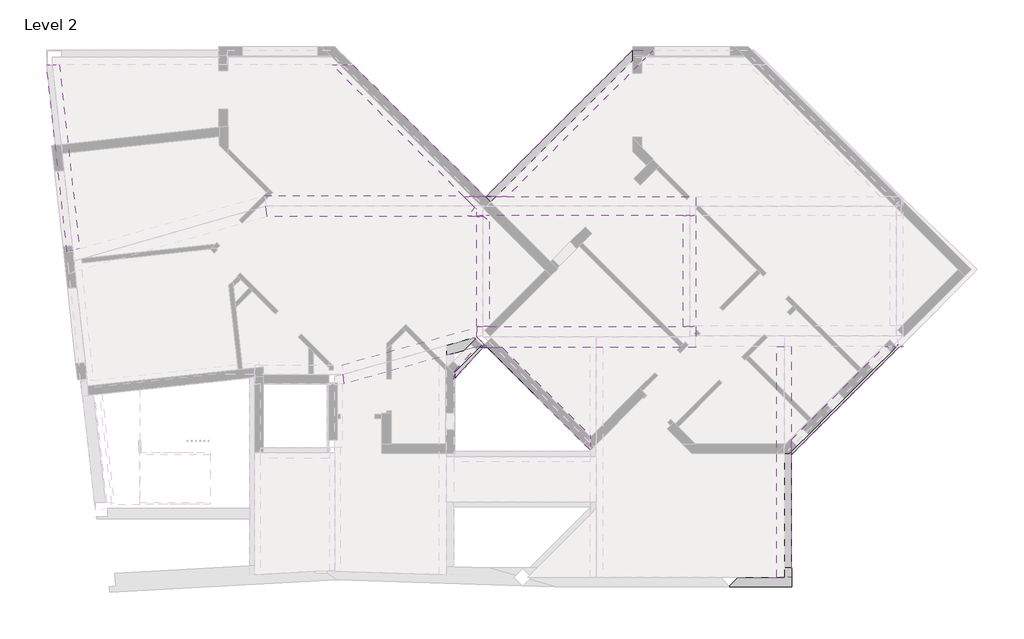
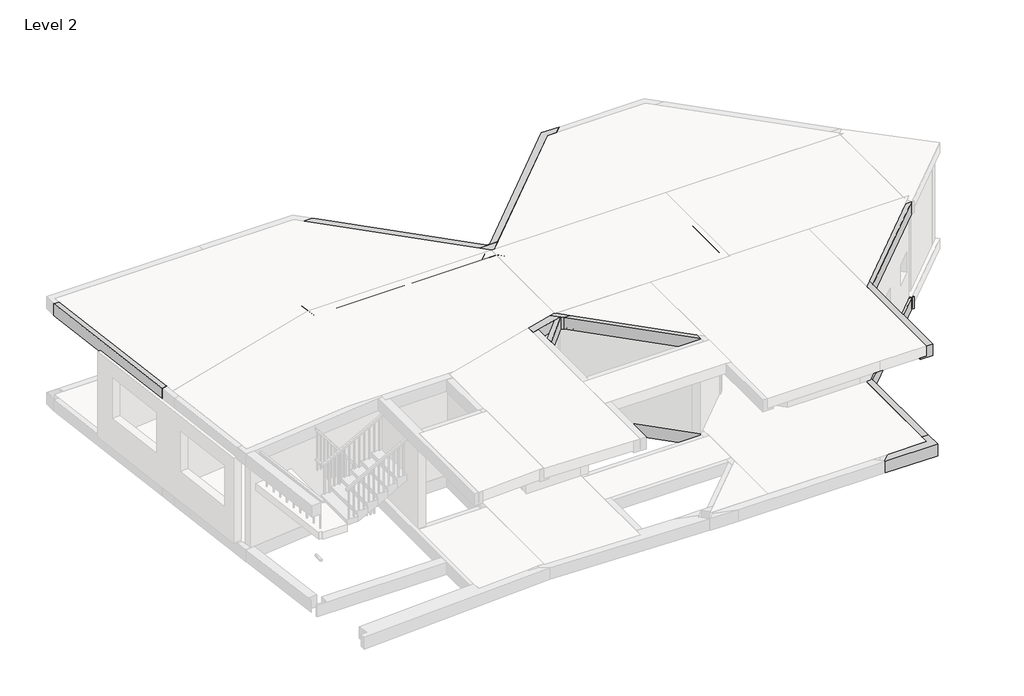
# One storey, part 4 of 5: 27 beams.
"""IFC4 building model written with IfcOpenShell, lengths in millimetres."""

from ifc_helpers import new_model, si_unit, frame, origin, place, context, project, spatial, polyline, outline, extrude, faceted_brep, element, save

model = new_model("IFC4")

# Units and contexts
model_context = context("Model", 3, world=origin())
ifc_project = project(units=[si_unit("LENGTHUNIT", "METRE", prefix="MILLI")], contexts=[model_context])

# Site, building, storey
site = spatial("IfcSite", under=ifc_project)
building = spatial("IfcBuilding", under=site)
storey = spatial("IfcBuildingStorey", under=building, Name="Level 2", Elevation=4250.0)

# Beams
placement = place(None, origin())
element("IfcBeam", 1, ObjectType="Concrete-Rectangular Beam : 120 x 350mm 2", at=placement, inside=storey, context=model_context, shape_type="SweptSolid", body=[
    extrude(outline(polyline([(10021.1882552, -6888.0), (10184.3616955, -6888.0), (9491.0, -7640.5), (9491.0, -7463.4091473), (10021.1882552, -6888.0)])), frame((0.0, 0.0, 3900.0), z_axis=(0.0, 0.0, 1.0), x_axis=(1.0, 0.0, 0.0)), (0.0, 0.0, 1.0), 350.0),
])
element("IfcBeam", 2, ObjectType="Concrete-Rectangular Beam : 120 x 350mm 2", at=placement, inside=storey, context=model_context, shape_type="SweptSolid", body=[
    extrude(outline(polyline([(9491.0, -7640.5), (9491.0, -7463.4091473), (10039.2382939, -6868.4104348), (10220.9841127, -6817.5375033), (10235.7141711, -6832.2675617), (9491.0, -7640.5)])), frame((0.0, 0.0, 6750.0), z_axis=(0.0, 0.0, 1.0), x_axis=(1.0, 0.0, 0.0)), (0.0, 0.0, 1.0), 350.0),
])
element("IfcBeam", 3, ObjectType="Concrete-Rectangular Beam : 250 x 350mm 2", at=placement, inside=storey, context=model_context, shape_type="Brep", body=[
    faceted_brep([(12731.0, -9327.5533906, 4250.0), (12731.0, -9150.7766953, 4250.0), (10468.2233047, -6888.0, 4250.0), (10332.6158019, -6888.0, 4250.0), (10291.4466094, -6888.0, 4250.0), (10645.0, -6888.0, 3900.0), (10645.0, -6888.0, 3950.0), (12731.0, -8974.0, 3950.0), (12731.0, -8974.0, 3900.0), (12731.0, -9327.5533906, 3900.0), (10291.4466094, -6888.0, 3900.0), (10332.6158019, -6888.0, 3900.0), (10468.2233047, -6888.0, 3950.0), (12731.0, -9150.7766953, 3950.0)], [[[0, 1, 2, 3, 4]], [[5, 6, 7, 8]], [[8, 9, 10, 11, 5]], [[4, 10, 9, 0]], [[10, 4, 3, 2, 12, 6, 5, 11]], [[9, 8, 7, 13, 1, 0]], [[12, 13, 7, 6]], [[13, 12, 2, 1]]]),
])
element("IfcBeam", 4, ObjectType="Concrete-Rectangular Beam : 250 x 350mm 2", at=placement, inside=storey, context=model_context, shape_type="Brep", body=[
    faceted_brep([(17517.5, -9435.5, 4250.0), (20091.0, -6862.0, 4250.0), (19914.2233047, -6862.0, 4250.0), (17517.5, -9258.7233047, 4250.0), (20091.0, -6862.0, 3900.0), (17517.5, -9435.5, 3900.0), (19737.4466094, -6862.0, 3900.0), (17517.5, -9081.9466094, 3900.0), (17517.5, -9081.9466094, 3950.0), (19737.4466094, -6862.0, 3950.0), (19914.2233047, -6862.0, 3950.0), (17517.5, -9258.7233047, 3950.0)], [[[0, 1, 2, 3]], [[4, 1, 0, 5]], [[6, 4, 5, 7]], [[6, 7, 8, 9]], [[1, 4, 6, 9, 10, 2]], [[5, 0, 3, 11, 8, 7]], [[11, 10, 9, 8]], [[10, 11, 3, 2]]]),
])
element("IfcBeam", 5, ObjectType="Concrete-Rectangular Beam : 250 x 350mm 2", at=placement, inside=storey, context=model_context, shape_type="Brep", body=[
    faceted_brep([(10645.0, -6888.0, 6750.0), (10291.4466094, -6888.0, 6750.0), (10291.4466094, -6888.0, 7100.0), (10468.2233047, -6888.0, 7100.0), (10468.2233047, -6888.0, 6800.0), (10645.0, -6888.0, 6800.0), (12731.0, -8974.0, 6800.0), (12731.0, -9150.7766953, 6800.0), (12731.0, -9150.7766953, 7100.0), (12731.0, -9327.5533906, 7100.0), (12731.0, -9327.5533906, 6750.0), (12731.0, -8974.0, 6750.0)], [[[0, 1, 2, 3, 4, 5]], [[6, 7, 8, 9, 10, 11]], [[4, 7, 6, 5]], [[7, 4, 3, 8]], [[2, 1, 10, 9]], [[3, 2, 9, 8]], [[0, 5, 6, 11]], [[1, 0, 11, 10]]]),
])
element("IfcBeam", 6, ObjectType="Concrete-Rectangular Beam : 250 x 350mm 2", at=placement, inside=storey, context=model_context, shape_type="Brep", body=[
    faceted_brep([(17517.5, -9435.5, 7100.0), (20091.0, -6862.0, 7100.0), (19914.2233047, -6862.0, 7100.0), (17517.5, -9258.7233047, 7100.0), (17517.5, -9435.5, 6750.0), (20091.0, -6862.0, 6750.0), (19737.4466094, -6862.0, 6750.0), (17517.5, -9081.9466094, 6750.0), (17517.5, -9081.9466094, 6800.0), (19737.4466094, -6862.0, 6800.0), (19914.2233047, -6862.0, 6800.0), (17517.5, -9258.7233047, 6800.0)], [[[0, 1, 2, 3]], [[0, 4, 5, 1]], [[6, 5, 4, 7]], [[6, 7, 8, 9]], [[5, 6, 9, 10, 2, 1]], [[4, 0, 3, 11, 8, 7]], [[11, 10, 9, 8]], [[10, 11, 3, 2]]]),
])
element("IfcBeam", 7, ObjectType="Concrete-Rectangular Beam : 300 x 350mm 2", at=placement, inside=storey, context=model_context, shape_type="SweptSolid", body=[
    extrude(outline(polyline([(10303.5162325, -3743.9837675), (10332.6158019, -3743.9837675), (10332.6158019, -6388.0), (10086.0881696, -6388.0), (10032.6158019, -6402.9675856), (10032.6158019, -4014.8841981), (10303.5162325, -3743.9837675)])), frame((0.0, 0.0, 3900.0), z_axis=(0.0, 0.0, 1.0), x_axis=(1.0, 0.0, 0.0)), (0.0, 0.0, 1.0), 50.0),
])
element("IfcBeam", 8, ObjectType="Concrete-Rectangular Beam : 300 x 350mm 2", at=placement, inside=storey, context=model_context, shape_type="Brep", body=[
    faceted_brep([(14947.6858143, -3743.9837675, 3900.0), (14947.6858143, -6388.0, 3900.0), (14947.6858143, -6388.0, 3950.0), (14947.6858143, -3743.9837675, 3950.0), (15247.6858143, -3743.9837675, 3900.0), (15247.6858143, -6362.0, 3900.0), (15247.6858143, -6388.0, 3900.0), (15247.6858143, -3743.9837675, 3950.0), (15247.6858143, -6362.0, 3950.0), (15247.6858143, -6388.0, 3950.0)], [[[0, 1, 2, 3]], [[0, 4, 5, 6, 1]], [[6, 5, 4, 7, 8, 9]], [[4, 0, 3, 7]], [[1, 6, 9, 2]], [[3, 2, 9, 8, 7]]]),
])
element("IfcBeam", 9, ObjectType="Concrete-Rectangular Beam : 300 x 350mm 2", at=placement, inside=storey, context=model_context, shape_type="Brep", body=[
    faceted_brep([(10332.6158019, -6388.0, 6750.0), (10332.6158019, -3893.6158019, 6750.0), (10332.6158019, -3893.6158019, 6800.0), (10332.6158019, -6388.0, 6800.0), (10207.8679656, -3768.8679656, 6750.0), (10032.6158019, -3768.8679656, 6750.0), (10032.6158019, -3768.8679656, 6800.0), (10182.6158019, -3768.8679656, 6800.0), (10207.8679656, -3768.8679656, 6800.0), (10032.6158019, -6388.0, 6750.0), (10086.0881696, -6388.0, 6750.0), (10032.6158019, -6388.0, 6800.0)], [[[0, 1, 2, 3]], [[4, 5, 6, 7, 8]], [[1, 4, 8, 2]], [[9, 10, 0, 3, 11]], [[3, 2, 8, 7, 6, 11]], [[9, 11, 6, 5]], [[10, 9, 5, 4, 1, 0]]]),
])
element("IfcBeam", 10, ObjectType="Concrete-Rectangular Beam : 300 x 350mm 2", at=placement, inside=storey, context=model_context, shape_type="Brep", body=[
    faceted_brep([(14947.6858143, -3743.9837675, 7100.0), (14947.6858143, -6388.0, 7100.0), (15097.6858143, -6388.0, 7100.0), (15097.6858143, -3743.9837675, 7100.0), (14947.6858143, -3743.9837675, 6750.0), (14947.6858143, -6388.0, 6750.0), (15247.6858143, -3743.9837675, 6750.0), (15247.6858143, -6362.0, 6750.0), (15247.6858143, -6388.0, 6750.0), (15247.6858143, -3743.9837675, 6800.0), (15247.6858143, -6362.0, 6800.0), (15247.6858143, -6388.0, 6800.0), (15097.6858143, -3743.9837675, 6800.0), (15097.6858143, -6388.0, 6800.0)], [[[0, 1, 2, 3]], [[0, 4, 5, 1]], [[4, 6, 7, 8, 5]], [[8, 7, 6, 9, 10, 11]], [[4, 0, 3, 12, 9, 6]], [[1, 5, 8, 11, 13, 2]], [[12, 13, 11, 10, 9]], [[13, 12, 3, 2]]]),
])
element("IfcBeam", 11, ObjectType="Concrete-Rectangular Beam : 300 x 350mm 2", at=placement, inside=storey, context=model_context, shape_type="Brep", body=[
    faceted_brep([(-190.5522388, -159.0, 7100.0), (299.0182391, -4615.6877743, 7100.0), (445.3083128, -4573.7012474, 7100.0), (-39.6499138, -159.0, 7100.0), (591.5983865, -4531.7147204, 6750.0), (111.2524112, -159.0, 6750.0), (111.2524112, -159.0, 6800.0), (591.5983865, -4531.7147204, 6800.0), (-190.5522388, -159.0, 6750.0), (299.0182391, -4615.6877743, 6750.0), (-39.6499138, -159.0, 6800.0), (445.3083128, -4573.7012474, 6800.0)], [[[0, 1, 2, 3]], [[4, 5, 6, 7]], [[8, 5, 4, 9]], [[0, 8, 9, 1]], [[5, 8, 0, 3, 10, 6]], [[9, 4, 7, 11, 2, 1]], [[10, 11, 7, 6]], [[11, 10, 3, 2]]]),
])
element("IfcBeam", 12, ObjectType="Concrete-Rectangular Beam : 350 x 350mm 2", at=placement, inside=storey, context=model_context, shape_type="Brep", body=[
    faceted_brep([(10202.8427125, -3268.8679656, 4250.0), (7092.9747468, -159.0, 4250.0), (6845.4873734, -159.0, 4250.0), (9955.3553391, -3268.8679656, 4250.0), (6598.0, -159.0, 3900.0), (9707.8679656, -3268.8679656, 3900.0), (9707.8679656, -3268.8679656, 3950.0), (6598.0, -159.0, 3950.0), (7092.9747468, -159.0, 3900.0), (10202.8427125, -3268.8679656, 3900.0), (6845.4873734, -159.0, 3950.0), (9955.3553391, -3268.8679656, 3950.0)], [[[0, 1, 2, 3]], [[4, 5, 6, 7]], [[8, 9, 5, 4]], [[1, 0, 9, 8]], [[8, 4, 7, 10, 2, 1]], [[5, 9, 0, 3, 11, 6]], [[11, 10, 7, 6]], [[10, 11, 3, 2]]]),
])
element("IfcBeam", 13, ObjectType="Concrete-Rectangular Beam : 350 x 350mm 2", at=placement, inside=storey, context=model_context, shape_type="Brep", body=[
    faceted_brep([(14238.5, 191.0, 4250.0), (13743.5252532, 191.0, 4250.0), (10258.5414856, -3293.9837675, 4250.0), (10506.028859, -3293.9837675, 4250.0), (13788.5, -11.5126266, 4250.0), (13788.5, 146.0, 4250.0), (14088.5, 146.0, 4250.0), (14088.5, 41.0, 4250.0), (14238.5, 191.0, 3900.0), (14088.5, 41.0, 3900.0), (13788.5, 146.0, 3900.0), (13788.5, -154.0, 3900.0), (13893.5, -154.0, 3900.0), (13888.5, -159.0, 3900.0), (10753.5162325, -3293.9837675, 3900.0), (10258.5414856, -3293.9837675, 3900.0), (13743.5252532, 191.0, 3900.0), (14088.5, 146.0, 3900.0), (13788.5, -11.5126266, 3950.0), (13788.5, -154.0, 3950.0), (13893.5, -154.0, 3950.0), (13888.5, -159.0, 3950.0), (10753.5162325, -3293.9837675, 3950.0), (10506.028859, -3293.9837675, 3950.0)], [[[0, 1, 2, 3, 4, 5, 6, 7]], [[8, 0, 7, 9]], [[10, 11, 12, 13, 14, 15, 16, 8, 9, 17]], [[1, 16, 15, 2]], [[11, 10, 5, 4, 18, 19]], [[12, 11, 19, 20]], [[1, 0, 8, 16]], [[17, 6, 5, 10]], [[6, 17, 9, 7]], [[14, 13, 12, 20, 21, 22]], [[15, 14, 22, 23, 3, 2]], [[18, 23, 22, 21, 20, 19]], [[23, 18, 4, 3]]]),
    faceted_brep([(10032.6158019, -3768.8679656, 3900.0), (10032.6158019, -4014.8841981, 3900.0), (10032.6158019, -4014.8841981, 3950.0), (10032.6158019, -3768.8679656, 3950.0), (10202.8427125, -3743.9837675, 3900.0), (10202.8427125, -3768.8679656, 3900.0), (10202.8427125, -3768.8679656, 3950.0), (10202.8427125, -3743.9837675, 3950.0), (10303.5162325, -3743.9837675, 3900.0), (10303.5162325, -3743.9837675, 3950.0), (10182.6158019, -3768.8679656, 3950.0)], [[[0, 1, 2, 3]], [[4, 5, 6, 7]], [[8, 4, 7, 9]], [[5, 0, 3, 10, 6]], [[8, 1, 0, 5, 4]], [[1, 8, 9, 2]], [[3, 2, 9, 7, 6, 10]]]),
])
element("IfcBeam", 14, ObjectType="Concrete-Rectangular Beam : 350 x 350mm 2", at=placement, inside=storey, context=model_context, shape_type="Brep", body=[
    faceted_brep([(17342.5, -12125.7521853, 4250.0), (17517.5, -12125.7521853, 4250.0), (17517.5, -9435.5, 4250.0), (17517.5, -9258.7233047, 4250.0), (17342.5, -9433.7233047, 4250.0), (17517.5, -12125.7521853, 3900.0), (17517.5, -9435.5, 3900.0), (17517.5, -9081.9466094, 3900.0), (17517.5, -6862.0, 3900.0), (17517.5, -6862.0, 3950.0), (17517.5, -9081.9466094, 3950.0), (17517.5, -9258.7233047, 3950.0), (17167.5, -6862.0, 3900.0), (17167.5, -12125.7521853, 3900.0), (17167.5, -12125.7521853, 3950.0), (17167.5, -6862.0, 3950.0), (17342.5, -12125.7521853, 3950.0), (17342.5, -9433.7233047, 3950.0)], [[[0, 1, 2, 3, 4]], [[5, 6, 7, 8, 9, 10, 11, 3, 2, 1]], [[12, 8, 7, 6, 5, 13]], [[12, 13, 14, 15]], [[8, 12, 15, 9]], [[5, 1, 0, 16, 14, 13]], [[15, 14, 16, 17, 11, 10, 9]], [[16, 0, 4, 17]], [[11, 17, 4, 3]]]),
])
element("IfcBeam", 15, ObjectType="Concrete-Rectangular Beam : 350 x 350mm 2", at=placement, inside=storey, context=model_context, shape_type="Brep", body=[
    faceted_brep([(10332.6158019, -3893.6158019, 7100.0), (10332.6158019, -3743.9837675, 7100.0), (10182.9837675, -3743.9837675, 7100.0), (10332.6158019, -3893.6158019, 6750.0), (10332.6158019, -3893.6158019, 6800.0), (10182.9837675, -3743.9837675, 6800.0), (10182.9837675, -3743.9837675, 6750.0), (10207.8679656, -3768.8679656, 6750.0), (10332.6158019, -3743.9837675, 6750.0)], [[[0, 1, 2]], [[3, 4, 0, 2, 5, 6, 7]], [[8, 3, 7, 6]], [[2, 1, 8, 6, 5]], [[0, 4, 3, 8, 1]]]),
    faceted_brep([(7092.9747468, -159.0, 6750.0), (7092.9747468, -159.0, 7100.0), (10202.8427125, -3268.8679656, 7100.0), (10227.9585144, -3293.9837675, 7100.0), (10227.9585144, -3293.9837675, 6750.0), (10202.8427125, -3268.8679656, 6750.0), (6598.0, -159.0, 6750.0), (6598.0, -159.0, 6800.0), (6845.4873734, -159.0, 6800.0), (6845.4873734, -159.0, 7100.0), (9732.9837675, -3293.9837675, 6800.0), (9980.4711409, -3293.9837675, 6800.0), (9980.4711409, -3293.9837675, 7100.0), (9732.9837675, -3293.9837675, 6750.0), (9707.8679656, -3268.8679656, 6750.0)], [[[0, 1, 2, 3, 4, 5]], [[0, 6, 7, 8, 9, 1]], [[8, 7, 10, 11]], [[9, 8, 11, 12]], [[3, 12, 11, 10, 13, 4]], [[1, 9, 12, 3, 2]], [[7, 6, 14, 13, 10]], [[6, 0, 5, 4, 13, 14]]]),
])
element("IfcBeam", 16, ObjectType="Concrete-Rectangular Beam : 350 x 350mm 2", at=placement, inside=storey, context=model_context, shape_type="Brep", body=[
    faceted_brep([(10258.5414856, -3293.9837675, 7100.0), (10506.028859, -3293.9837675, 7100.0), (13816.0126266, 16.0, 7100.0), (14063.5, 16.0, 7100.0), (14238.5, 191.0, 7100.0), (13743.5252532, 191.0, 7100.0), (10283.6572875, -3268.8679656, 7100.0), (10753.5162325, -3293.9837675, 6800.0), (10753.5162325, -3293.9837675, 6750.0), (13888.5, -159.0, 6750.0), (14238.5, 191.0, 6750.0), (14063.5, 16.0, 6800.0), (13888.5, -159.0, 6800.0), (10258.5414856, -3293.9837675, 6750.0), (10283.6572875, -3268.8679656, 6750.0), (13743.5252532, 191.0, 6750.0), (10506.028859, -3293.9837675, 6800.0), (13816.0126266, 16.0, 6800.0)], [[[0, 1, 2, 3, 4, 5, 6]], [[7, 8, 9, 10, 4, 3, 11, 12]], [[8, 13, 14, 15, 10, 9]], [[13, 0, 6, 5, 15, 14]], [[13, 8, 7, 16, 1, 0]], [[17, 16, 7, 12, 11]], [[17, 2, 1, 16]], [[2, 17, 11, 3]], [[5, 4, 10, 15]]]),
    faceted_brep([(9808.5414856, -3743.9837675, 6800.0), (10032.6158019, -3743.9837675, 6800.0), (10032.6158019, -3593.6158019, 6800.0), (9995.7626266, -3556.7626266, 6800.0), (9808.5414856, -3743.9837675, 6750.0), (10032.6158019, -3743.9837675, 6750.0), (10032.6158019, -3593.6158019, 6750.0), (9995.7626266, -3556.7626266, 6750.0)], [[[0, 1, 2, 3]], [[1, 0, 4, 5]], [[6, 7, 3, 2]], [[6, 5, 4, 7]], [[5, 6, 2, 1]], [[7, 4, 0, 3]]]),
])
element("IfcBeam", 17, ObjectType="Concrete-Rectangular Beam : 350 x 350mm 2", at=placement, inside=storey, context=model_context, shape_type="Brep", body=[
    faceted_brep([(17167.5, -12350.7521853, 6750.0), (17517.5, -12350.7521853, 6750.0), (17517.5, -12350.7521853, 7100.0), (17342.5, -12350.7521853, 7100.0), (17342.5, -12350.7521853, 6800.0), (17167.5, -12350.7521853, 6800.0), (17517.5, -9435.5, 7100.0), (17517.5, -9258.7233047, 7100.0), (17342.5, -9433.7233047, 7100.0), (17517.5, -9435.5, 6750.0), (17517.5, -9081.9466094, 6750.0), (17517.5, -6862.0, 6750.0), (17517.5, -6862.0, 6800.0), (17517.5, -9081.9466094, 6800.0), (17517.5, -9258.7233047, 6800.0), (17167.5, -6862.0, 6750.0), (17167.5, -6862.0, 6800.0), (17342.5, -9433.7233047, 6800.0)], [[[0, 1, 2, 3, 4, 5]], [[3, 2, 6, 7, 8]], [[2, 1, 9, 10, 11, 12, 13, 14, 7, 6]], [[1, 0, 15, 11, 10, 9]], [[16, 15, 0, 5]], [[11, 15, 16, 12]], [[16, 5, 4, 17, 14, 13, 12]], [[4, 3, 8, 17]], [[14, 17, 8, 7]]]),
])
element("IfcBeam", 18, ObjectType="Concrete-Rectangular Beam : 450 x 350mm 2", at=placement, inside=storey, context=model_context, shape_type="Brep", body=[
    faceted_brep([(10202.8427125, -3293.9837675, 4250.0), (10202.8427125, -3327.0786438, 4250.0), (10337.8883476, -3462.1242789, 4250.0), (10506.028859, -3293.9837675, 4250.0), (10258.5414856, -3293.9837675, 4250.0), (10202.8427125, -3743.9837675, 3900.0), (10303.5162325, -3743.9837675, 3900.0), (10332.6158019, -3743.9837675, 3900.0), (14947.6858143, -3743.9837675, 3900.0), (15247.6858143, -3743.9837675, 3900.0), (15247.6858143, -3743.9837675, 3950.0), (14947.6858143, -3743.9837675, 3950.0), (10332.6158019, -3743.9837675, 3950.0), (10303.5162325, -3743.9837675, 3950.0), (10202.8427125, -3743.9837675, 3950.0), (10202.8427125, -3327.0786438, 3900.0), (10202.8427125, -3293.9837675, 3900.0), (10258.5414856, -3293.9837675, 3900.0), (10753.5162325, -3293.9837675, 3900.0), (15247.6858143, -3293.9837675, 3900.0), (15247.6858143, -3456.8324359, 3900.0), (15097.4359534, -3306.9361041, 3900.0), (14885.5539271, -3519.3178522, 3900.0), (15097.9356752, -3731.1998785, 3900.0), (15247.6858143, -3581.0965551, 3900.0), (10202.8427125, -3710.8888913, 3900.0), (10394.7478362, -3518.9837675, 3900.0), (10506.028859, -3293.9837675, 3950.0), (10753.5162325, -3293.9837675, 3950.0), (15247.6858143, -3293.9837675, 3950.0), (10202.8427125, -3710.8888913, 3950.0), (10394.7478362, -3518.9837675, 3950.0), (10337.8883476, -3462.1242789, 3950.0), (15097.4359534, -3306.9361041, 3950.0), (14885.5539271, -3519.3178522, 3950.0), (15097.9356752, -3731.1998785, 3950.0), (15247.6858143, -3456.8324359, 3950.0), (15247.6858143, -3581.0965551, 3950.0)], [[[0, 1, 2, 3, 4]], [[5, 6, 7, 8, 9, 10, 11, 12, 13, 14]], [[15, 16, 17, 18, 19, 20, 21, 22, 23, 24, 9, 8, 7, 6, 5, 25, 26]], [[16, 0, 4, 3, 27, 28, 29, 19, 18, 17]], [[25, 5, 14, 30]], [[15, 26, 31, 32, 2, 1]], [[26, 25, 30, 31]], [[0, 16, 15, 1]], [[22, 21, 33, 34]], [[23, 22, 34, 35]], [[20, 19, 29, 36]], [[24, 23, 35, 37]], [[21, 20, 36, 33]], [[9, 24, 37, 10]], [[27, 32, 31, 30, 14, 13, 12, 11, 10, 37, 35, 34, 33, 36, 29, 28]], [[32, 27, 3, 2]]]),
])
element("IfcBeam", 19, ObjectType="Concrete-Rectangular Beam : 450 x 350mm 2", at=placement, inside=storey, context=model_context, shape_type="Brep", body=[
    faceted_brep([(9969.2536976, -6888.0, 4250.0), (10015.0229185, -6692.1279254, 4250.0), (9975.571362, -6652.5833228, 4250.0), (9316.0, -6837.2056097, 4250.0), (9316.0, -7070.8538935, 4250.0), (9491.0, -7021.8692012, 4250.0), (6729.5645215, -7794.8295851, 3900.0), (6839.0, -7764.1972237, 3900.0), (9141.0, -7119.8385858, 3900.0), (9491.0, -7021.8692012, 3900.0), (9969.2536976, -6888.0, 3900.0), (9316.0, -7070.8538935, 3950.0), (9141.0, -7119.8385858, 3950.0), (6839.0, -7764.1972237, 3950.0), (6729.5645215, -7794.8295851, 3950.0), (6709.598477, -7723.5, 3900.0), (6814.0, -7723.5, 3900.0), (6814.0, -7423.5, 3900.0), (6690.2170503, -7423.5, 3900.0), (6690.2170503, -7338.5468675, 3900.0), (10032.6158019, -6402.9675856, 3900.0), (10086.0881696, -6388.0, 3900.0), (10042.1539242, -6576.0191893, 3900.0), (9970.502258, -6647.5022634, 3900.0), (10015.0229185, -6692.1279254, 3900.0), (6690.2170503, -7338.5468675, 3950.0), (10032.6158019, -6402.9675856, 3950.0), (10086.0881696, -6388.0, 3950.0), (6709.598477, -7723.5, 3950.0), (6814.0, -7423.5, 3950.0), (6690.2170503, -7423.5, 3950.0), (6814.0, -7723.5, 3950.0), (6814.0, -7537.5467531, 3950.0), (6814.0, -7537.5467531, 4250.0), (6814.0, -7524.0, 4250.0), (6814.0, -7524.0, 3950.0), (10042.1539242, -6576.0191893, 3950.0), (9970.502258, -6647.5022634, 3950.0), (9975.571362, -6652.5833228, 3950.0), (6862.3963801, -7524.0, 3950.0), (9316.0, -6837.2056097, 3950.0), (6862.3963801, -7524.0, 4250.0)], [[[0, 1, 2, 3, 4, 5]], [[6, 7, 8, 9, 10, 0, 5, 4, 11, 12, 13, 14]], [[10, 9, 8, 7, 6, 15, 16, 17, 18, 19, 20, 21, 22, 23, 24]], [[21, 20, 19, 25, 26, 27]], [[15, 6, 14, 28]], [[0, 10, 24, 1]], [[18, 17, 29, 30]], [[17, 16, 31, 32, 33, 34, 35, 29]], [[23, 22, 36, 37]], [[24, 23, 37, 38, 2, 1]], [[22, 21, 27, 36]], [[19, 18, 30, 25]], [[16, 15, 28, 31]], [[35, 39, 32, 31, 28, 14, 13, 12, 11, 40, 38, 37, 36, 27, 26, 25, 30, 29]], [[2, 38, 40, 3]], [[39, 35, 34, 41]], [[40, 11, 4, 3]], [[32, 39, 41, 33]], [[41, 34, 33]]]),
])
element("IfcBeam", 20, ObjectType="Concrete-Rectangular Beam : 450 x 350mm 2", at=placement, inside=storey, context=model_context, shape_type="Brep", body=[
    faceted_brep([(17524.8842196, -12125.7521853, 4250.0), (17524.8842196, -12575.7521853, 4250.0), (17524.8842196, -12575.7521853, 3900.0), (17524.8842196, -12125.7521853, 3900.0), (17517.5, -12125.7521853, 4250.0), (17342.5, -12125.7521853, 4250.0), (17342.5, -12350.7521853, 4250.0), (16257.016254, -12350.7521853, 4250.0), (16044.8842196, -12562.8842196, 4250.0), (16044.8842196, -12575.7521853, 4250.0), (16044.8842196, -12575.7521853, 3900.0), (16044.8842196, -12562.8842196, 3900.0), (16257.016254, -12350.7521853, 3900.0), (16044.8842196, -12138.6201509, 3900.0), (16044.8842196, -12125.7521853, 3900.0), (17167.5, -12125.7521853, 3900.0), (17517.5, -12125.7521853, 3900.0), (16044.8842196, -12125.7521853, 3950.0), (17167.5, -12125.7521853, 3950.0), (17342.5, -12125.7521853, 3950.0), (16044.8842196, -12138.6201509, 3950.0), (16257.016254, -12350.7521853, 3950.0), (17342.5, -12350.7521853, 3950.0)], [[[0, 1, 2, 3]], [[1, 0, 4, 5, 6, 7, 8, 9]], [[2, 1, 9, 10]], [[3, 2, 10, 11, 12, 13, 14, 15, 16]], [[0, 3, 16, 15, 14, 17, 18, 19, 5, 4]], [[14, 13, 20, 17]], [[13, 12, 21, 20]], [[8, 7, 21, 12, 11]], [[10, 9, 8, 11]], [[21, 22, 19, 18, 17, 20]], [[22, 6, 5, 19]], [[6, 22, 21, 7]]]),
])
element("IfcBeam", 21, ObjectType="Concrete-Rectangular Beam : 450 x 350mm 2", at=placement, inside=storey, context=model_context, shape_type="Brep", body=[
    faceted_brep([(10032.6158019, -3743.9837675, 6750.0), (10182.9837675, -3743.9837675, 6750.0), (10332.6158019, -3743.9837675, 6750.0), (14947.6858143, -3743.9837675, 6750.0), (15247.6858143, -3743.9837675, 6750.0), (15247.6858143, -3743.9837675, 6800.0), (15097.6858143, -3743.9837675, 6800.0), (10182.9837675, -3743.9837675, 6800.0), (10182.6158019, -3743.9837675, 6800.0), (10032.6158019, -3743.9837675, 6800.0), (10032.6158019, -3593.6158019, 6750.0), (9995.7626266, -3556.7626266, 6750.0), (9732.9837675, -3293.9837675, 6750.0), (10227.9585144, -3293.9837675, 6750.0), (10258.5414856, -3293.9837675, 6750.0), (10753.5162325, -3293.9837675, 6750.0), (15247.6858143, -3293.9837675, 6750.0), (10506.028859, -3293.9837675, 6800.0), (10753.5162325, -3293.9837675, 6800.0), (15247.6858143, -3293.9837675, 6800.0), (9732.9837675, -3293.9837675, 6800.0), (9980.4711409, -3293.9837675, 6800.0), (9980.4711409, -3293.9837675, 7100.0), (10227.9585144, -3293.9837675, 7100.0), (10258.5414856, -3293.9837675, 7100.0), (10506.028859, -3293.9837675, 7100.0), (10281.028859, -3518.9837675, 6800.0), (10205.3553391, -3518.8679656, 6800.0), (9995.7626266, -3556.7626266, 6800.0), (10032.6158019, -3593.6158019, 6800.0), (10281.028859, -3518.9837675, 7100.0), (10205.3553391, -3518.9837675, 7100.0)], [[[0, 1, 2, 3, 4, 5, 6, 7, 8, 9]], [[0, 10, 11, 12, 13, 14, 15, 16, 4, 3, 2, 1]], [[17, 18, 19, 16, 15, 14, 13, 12, 20, 21, 22, 23, 24, 25]], [[17, 26, 27, 21, 20, 28, 29, 9, 8, 7, 6, 5, 19, 18]], [[26, 17, 25, 30]], [[26, 30, 31, 27]], [[10, 0, 9, 29]], [[12, 11, 10, 29, 28, 20]], [[4, 16, 19, 5]], [[30, 25, 24, 23, 22, 31]], [[21, 27, 31, 22]]]),
])
element("IfcBeam", 22, ObjectType="Concrete-Rectangular Beam : 450 x 350mm 2", at=placement, inside=storey, context=model_context, shape_type="Brep", body=[
    faceted_brep([(10220.9841127, -6817.5375033, 7100.0), (10038.4339159, -6634.9873064, 7100.0), (9316.0, -6837.2056097, 7100.0), (9316.0, -7070.8538935, 7100.0), (9491.0, -7021.8692012, 7100.0), (10039.2382939, -6868.4104348, 7100.0), (9316.0, -7070.8538935, 6800.0), (9141.0, -7119.8385858, 6800.0), (6893.2927601, -7749.0, 6800.0), (6893.2927601, -7749.0, 6750.0), (9141.0, -7119.8385858, 6750.0), (9491.0, -7021.8692012, 6750.0), (10039.2382939, -6868.4104348, 6750.0), (10220.9841127, -6817.5375033, 6750.0), (6831.5, -7299.0, 6750.0), (10032.6158019, -6402.9675856, 6750.0), (10032.6158019, -6629.1691925, 6750.0), (6831.5, -7299.0, 6800.0), (10032.6158019, -6402.9675856, 6800.0), (6862.3963801, -7524.0, 6800.0), (9316.0, -6837.2056097, 6800.0), (10038.4339159, -6634.9873064, 6800.0), (10032.6158019, -6629.1691925, 6800.0)], [[[0, 1, 2, 3, 4, 5]], [[6, 7, 8, 9, 10, 11, 12, 13, 0, 5, 4, 3]], [[9, 14, 15, 16, 13, 12, 11, 10]], [[17, 18, 15, 14]], [[18, 17, 19, 8, 7, 6, 20, 21, 22]], [[21, 20, 2, 1]], [[20, 6, 3, 2]], [[14, 9, 8, 19, 17]], [[0, 13, 16, 22, 21, 1]], [[16, 15, 18, 22]]]),
])
element("IfcBeam", 23, ObjectType="Concrete-Rectangular Beam : 500 x 350mm 2", at=placement, inside=storey, context=model_context, shape_type="Brep", body=[
    faceted_brep([(10202.8427125, -3268.8679656, 4250.0), (9955.3553391, -3268.8679656, 4250.0), (4991.6275883, -3268.8679656, 4250.0), (5000.5978105, -3332.6381208, 4250.0), (5026.5, -3306.7359313, 4250.0), (5238.6320344, -3518.8679656, 4250.0), (5052.917349, -3704.582651, 4250.0), (5061.960036, -3768.8679656, 4250.0), (10182.6158019, -3768.8679656, 4250.0), (10182.6158019, -3731.1158019, 4250.0), (9970.4837675, -3518.9837675, 4250.0), (10182.6158019, -3306.8517332, 4250.0), (10202.8427125, -3327.0786438, 4250.0), (10202.8427125, -3293.9837675, 4250.0), (5061.960036, -3768.8679656, 3900.0), (10032.6158019, -3768.8679656, 3900.0), (10202.8427125, -3768.8679656, 3900.0), (10202.8427125, -3768.8679656, 3950.0), (10182.6158019, -3768.8679656, 3950.0), (5052.917349, -3704.582651, 3900.0), (5238.6320344, -3518.8679656, 3900.0), (5026.5, -3306.7359313, 3900.0), (5000.5978105, -3332.6381208, 3900.0), (4991.6275883, -3268.8679656, 3900.0), (9707.8679656, -3268.8679656, 3900.0), (10202.8427125, -3268.8679656, 3900.0), (10202.8427125, -3293.9837675, 3900.0), (10202.8427125, -3327.0786438, 3900.0), (10182.6158019, -3306.8517332, 3900.0), (9970.4837675, -3518.9837675, 3900.0), (10182.6158019, -3731.1158019, 3900.0), (10202.8427125, -3710.8888913, 3900.0), (10202.8427125, -3743.9837675, 3900.0), (5000.5978105, -3332.6381208, 3950.0), (10202.8427125, -3710.8888913, 3950.0), (10202.8427125, -3743.9837675, 3950.0), (5052.917349, -3704.582651, 3950.0), (10182.6158019, -3731.1158019, 3950.0)], [[[0, 1, 2, 3, 4, 5, 6, 7, 8, 9, 10, 11, 12, 13]], [[14, 15, 16, 17, 18, 8, 7]], [[16, 15, 14, 19, 20, 21, 22, 23, 24, 25, 26, 27, 28, 29, 30, 31, 32]], [[2, 1, 0, 25, 24, 23]], [[2, 23, 22, 33, 3]], [[16, 32, 31, 34, 35, 17]], [[20, 5, 4, 21]], [[21, 4, 3, 33, 22]], [[5, 20, 19, 36, 6]], [[14, 7, 6, 36, 19]], [[11, 28, 27, 12]], [[28, 11, 10, 29]], [[29, 10, 9, 37, 30]], [[31, 30, 37, 34]], [[25, 0, 13, 12, 27, 26]], [[37, 18, 17, 35, 34]], [[18, 37, 9, 8]]]),
])
element("IfcBeam", 24, ObjectType="Concrete-Rectangular Beam : 500 x 350mm 2", at=placement, inside=storey, context=model_context, shape_type="Brep", body=[
    faceted_brep([(9969.2536976, -6888.0, 4250.0), (9969.2536976, -6888.0, 3900.0), (10021.1882552, -6888.0, 3900.0), (10184.3616955, -6888.0, 3900.0), (10291.4466094, -6888.0, 3900.0), (10645.0, -6888.0, 3900.0), (12731.0, -6888.0, 3900.0), (13031.0, -6888.0, 3900.0), (15247.6858143, -6888.0, 3900.0), (15247.6858143, -6888.0, 3950.0), (13031.0, -6888.0, 3950.0), (12731.0, -6888.0, 3950.0), (10645.0, -6888.0, 3950.0), (10468.2233047, -6888.0, 3950.0), (10468.2233047, -6888.0, 4250.0), (10291.4466094, -6888.0, 4250.0), (10184.3616955, -6888.0, 4250.0), (10021.1882552, -6888.0, 4250.0), (10042.1539242, -6576.0191893, 3900.0), (10086.0881696, -6388.0, 3900.0), (10332.6158019, -6388.0, 3900.0), (14947.6858143, -6388.0, 3900.0), (15247.6858143, -6388.0, 3900.0), (15247.6858143, -6585.7753513, 3900.0), (15097.8840061, -6435.620237, 3900.0), (14885.502258, -6647.5022634, 3900.0), (15097.3842844, -6859.8840114, 3900.0), (15247.6858143, -6709.9361322, 3900.0), (15247.6858143, -6862.0, 3900.0), (10015.0229185, -6692.1279254, 3900.0), (10182.3842844, -6859.8840114, 3900.0), (10394.7660324, -6648.0019851, 3900.0), (10182.8840061, -6435.620237, 3900.0), (10086.0881696, -6388.0, 3950.0), (10332.6158019, -6388.0, 3950.0), (14947.6858143, -6388.0, 3950.0), (15247.6858143, -6388.0, 3950.0), (10015.0229185, -6692.1279254, 4250.0), (10394.7660324, -6648.0019851, 3950.0), (10182.8840061, -6435.620237, 3950.0), (10042.1539242, -6576.0191893, 3950.0), (10182.3842844, -6859.8840114, 4250.0), (10311.3975806, -6731.1742759, 4250.0), (10311.3975806, -6731.1742759, 3950.0), (15097.8840061, -6435.620237, 3950.0), (14885.502258, -6647.5022634, 3950.0), (15097.3842844, -6859.8840114, 3950.0), (15247.6858143, -6709.9361322, 3950.0), (15247.6858143, -6585.7753513, 3950.0), (15247.6858143, -6862.0, 3950.0)], [[[0, 1, 2, 3, 4, 5, 6, 7, 8, 9, 10, 11, 12, 13, 14, 15, 16, 17]], [[18, 19, 20, 21, 22, 23, 24, 25, 26, 27, 28, 8, 7, 6, 5, 4, 3, 2, 1, 29, 30, 31, 32]], [[22, 21, 20, 19, 33, 34, 35, 36]], [[1, 0, 37, 29]], [[32, 31, 38, 39]], [[18, 32, 39, 40]], [[41, 30, 29, 37]], [[30, 41, 42, 43, 38, 31]], [[19, 18, 40, 33]], [[25, 24, 44, 45]], [[26, 25, 45, 46]], [[27, 26, 46, 47]], [[23, 22, 36, 48]], [[24, 23, 48, 44]], [[8, 28, 27, 47, 49, 9]], [[33, 40, 39, 38, 43, 13, 12, 11, 10, 9, 49, 47, 46, 45, 44, 48, 36, 35, 34]], [[13, 43, 42, 14]], [[37, 0, 17, 16, 15, 14, 42, 41]]]),
])
element("IfcBeam", 25, ObjectType="Concrete-Rectangular Beam : 500 x 350mm 2", at=placement, inside=storey, context=model_context, shape_type="Brep", body=[
    faceted_brep([(20162.6158019, -6862.0, 3900.0), (20162.6158019, -6862.0, 4250.0), (20109.2935846, -6862.0, 4250.0), (20109.2935846, -6862.0, 3950.0), (20096.6228269, -6862.0, 3950.0), (20096.6228269, -6862.0, 4250.0), (20091.0, -6862.0, 4250.0), (19914.2233047, -6862.0, 4250.0), (19914.2233047, -6862.0, 3950.0), (19737.4466094, -6862.0, 3950.0), (17517.5, -6862.0, 3950.0), (17167.5, -6862.0, 3950.0), (15247.6858143, -6862.0, 3950.0), (15247.6858143, -6862.0, 3900.0), (17167.5, -6862.0, 3900.0), (17517.5, -6862.0, 3900.0), (19737.4466094, -6862.0, 3900.0), (20091.0, -6862.0, 3900.0), (15309.7660324, -6648.0019851, 3900.0), (15247.6858143, -6585.7753513, 3900.0), (15247.6858143, -6388.0, 3900.0), (15247.6858143, -6362.0, 3900.0), (19862.6158019, -6362.0, 3900.0), (20162.6158019, -6362.0, 3900.0), (20162.6158019, -6585.7051738, 3900.0), (20012.8840061, -6435.620237, 3900.0), (19800.502258, -6647.5022634, 3900.0), (20012.3842844, -6859.8840114, 3900.0), (20162.6158019, -6710.0059798, 3900.0), (15247.6858143, -6709.9361322, 3900.0), (15247.6858143, -6362.0, 3950.0), (19862.6158019, -6362.0, 3950.0), (20162.6158019, -6362.0, 3950.0), (15309.7660324, -6648.0019851, 3950.0), (15247.6858143, -6585.7753513, 3950.0), (15247.6858143, -6709.9361322, 3950.0), (20012.8840061, -6435.620237, 3950.0), (19800.502258, -6647.5022634, 3950.0), (20012.3842844, -6859.8840114, 4250.0), (19964.4183524, -6811.8049523, 3950.0), (19964.4183524, -6811.8049523, 4250.0), (20074.9405819, -6797.4749052, 4250.0), (20074.9405819, -6797.4749052, 3950.0), (20162.6158019, -6710.0059798, 3950.0), (15247.6858143, -6388.0, 3950.0), (20162.6158019, -6585.7051738, 3950.0), (20162.6158019, -6808.6777827, 3950.0), (20162.6158019, -6808.6777827, 4250.0)], [[[0, 1, 2, 3, 4, 5, 6, 7, 8, 9, 10, 11, 12, 13, 14, 15, 16, 17]], [[18, 19, 20, 21, 22, 23, 24, 25, 26, 27, 28, 0, 17, 16, 15, 14, 13, 29]], [[23, 22, 21, 30, 31, 32]], [[19, 18, 33, 34]], [[18, 29, 35, 33]], [[26, 25, 36, 37]], [[38, 27, 26, 37, 39, 40]], [[27, 38, 41, 42, 43, 28]], [[21, 20, 19, 34, 44, 30]], [[29, 13, 12, 35]], [[24, 23, 32, 45]], [[25, 24, 45, 36]], [[1, 0, 28, 43, 46, 47]], [[30, 44, 34, 33, 35, 12, 11, 10, 9, 8, 39, 37, 36, 45, 32, 31]], [[2, 1, 47]], [[39, 8, 7, 40]], [[46, 3, 2, 47]], [[4, 42, 41, 5]], [[42, 4, 3, 46, 43]], [[38, 40, 7, 6, 5, 41]]]),
])
element("IfcBeam", 26, ObjectType="Concrete-Rectangular Beam : 500 x 350mm 2", at=placement, inside=storey, context=model_context, shape_type="Brep", body=[
    faceted_brep([(10202.8427125, -3268.8679656, 7100.0), (10227.9585144, -3293.9837675, 7100.0), (10258.5414856, -3293.9837675, 7100.0), (10283.6572875, -3268.8679656, 7100.0), (10227.9585144, -3293.9837675, 6750.0), (10202.8427125, -3268.8679656, 6750.0), (10283.6572875, -3268.8679656, 6750.0), (10258.5414856, -3293.9837675, 6750.0)], [[[0, 1, 2, 3]], [[4, 5, 6, 7]], [[5, 0, 3, 6]], [[0, 5, 4, 1]], [[1, 4, 7, 2]], [[3, 2, 7, 6]]]),
    faceted_brep([(5061.960036, -3768.8679656, 7100.0), (5061.960036, -3768.8679656, 6750.0), (10032.6158019, -3768.8679656, 6750.0), (10207.8679656, -3768.8679656, 6750.0), (10207.8679656, -3768.8679656, 6800.0), (10182.6158019, -3768.8679656, 6800.0), (10182.6158019, -3768.8679656, 7100.0), (4991.6275883, -3268.8679656, 7100.0), (4991.6275883, -3268.8679656, 6750.0), (10182.9837675, -3743.9837675, 6750.0), (10182.9837675, -3743.9837675, 6800.0), (10182.6158019, -3743.9837675, 7100.0), (9808.5414856, -3743.9837675, 7100.0), (9995.7626266, -3556.7626266, 7100.0), (9732.9837675, -3293.9837675, 7100.0), (9707.8679656, -3268.8679656, 7100.0), (9707.8679656, -3268.8679656, 6750.0), (9732.9837675, -3293.9837675, 6750.0), (9995.7626266, -3556.7626266, 6750.0), (9808.5414856, -3743.9837675, 6750.0), (10032.6158019, -3743.9837675, 6750.0), (9808.5414856, -3743.9837675, 6800.0), (10182.6158019, -3743.9837675, 6800.0), (9995.7626266, -3556.7626266, 6800.0)], [[[0, 1, 2, 3, 4, 5, 6]], [[7, 8, 1, 0]], [[3, 9, 10, 4]], [[7, 0, 6, 11, 12, 13, 14, 15]], [[1, 8, 16, 17, 18, 19, 20, 9, 3, 2]], [[8, 7, 15, 16]], [[19, 21, 12, 11, 22, 10, 9, 20]], [[22, 5, 4, 10]], [[5, 22, 11, 6]], [[16, 15, 14, 13, 23, 18, 17]], [[12, 21, 19, 18, 23, 13]]]),
])
element("IfcBeam", 27, ObjectType="Concrete-Rectangular Beam : 500 x 350mm 2", at=placement, inside=storey, context=model_context, shape_type="Brep", body=[
    faceted_brep([(10468.2233047, -6888.0, 6800.0), (10468.2233047, -6888.0, 7100.0), (10291.4466094, -6888.0, 7100.0), (10291.4466094, -6888.0, 6750.0), (10645.0, -6888.0, 6750.0), (12731.0, -6888.0, 6750.0), (13031.0, -6888.0, 6750.0), (15247.6858143, -6888.0, 6750.0), (15247.6858143, -6888.0, 6800.0), (13031.0, -6888.0, 6800.0), (12731.0, -6888.0, 6800.0), (10645.0, -6888.0, 6800.0), (10235.7141711, -6832.2675617, 6750.0), (10220.9841127, -6817.5375033, 6750.0), (10032.6158019, -6629.1691925, 6750.0), (10032.6158019, -6402.9675856, 6750.0), (10032.6158019, -6388.0, 6750.0), (10332.6158019, -6388.0, 6750.0), (14947.6858143, -6388.0, 6750.0), (15247.6858143, -6388.0, 6750.0), (15247.6858143, -6862.0, 6750.0), (10032.6158019, -6388.0, 6800.0), (10332.6158019, -6388.0, 6800.0), (15097.6858143, -6388.0, 6800.0), (15247.6858143, -6388.0, 6800.0), (10218.2233047, -6638.0, 6800.0), (15247.6858143, -6862.0, 6800.0), (10032.6158019, -6402.9675856, 6800.0), (10032.6158019, -6629.1691925, 6800.0), (10038.4339159, -6634.9873064, 6800.0), (10182.6158019, -6594.6289903, 6800.0), (10182.6158019, -6638.0, 6800.0), (10182.6158019, -6638.0, 7100.0), (10182.6158019, -6594.6289903, 7100.0), (10218.2233047, -6638.0, 7100.0), (10038.4339159, -6634.9873064, 7100.0), (10220.9841127, -6817.5375033, 7100.0), (10235.7141711, -6832.2675617, 7100.0)], [[[0, 1, 2, 3, 4, 5, 6, 7, 8, 9, 10, 11]], [[3, 12, 13, 14, 15, 16, 17, 18, 19, 20, 7, 6, 5, 4]], [[19, 18, 17, 16, 21, 22, 23, 24]], [[25, 0, 11, 10, 9, 8, 26, 24, 23, 22, 21, 27, 28, 29, 30, 31]], [[32, 31, 30, 33]], [[0, 25, 34, 1]], [[34, 32, 33, 35, 36, 37, 2, 1]], [[31, 32, 34, 25]], [[3, 2, 37, 36, 35, 29, 28, 14, 13, 12]], [[16, 15, 14, 28, 27, 21]], [[7, 20, 19, 24, 26, 8]], [[30, 29, 35, 33]]]),
])

save(model, "model.ifc")
